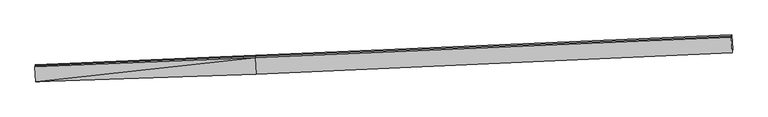
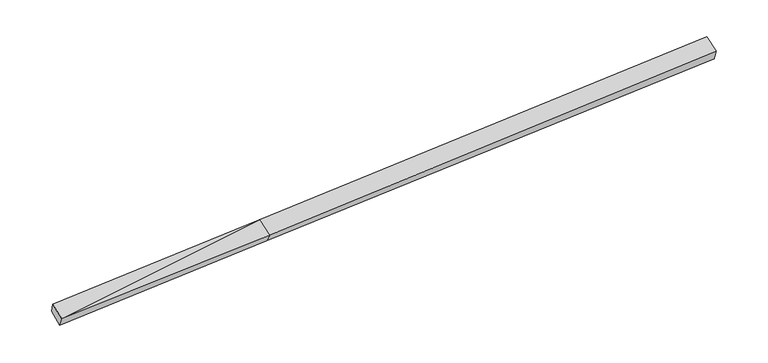
"""IFC4 building model written with IfcOpenShell, lengths in millimetres: proxy geometry."""

from ifc_helpers import new_model, si_unit, frame, origin, place, context, project, spatial, source, transform, mapped, element, save
from ifc_brep_helpers import plane_surface, spline_surface, advanced_brep


def generic_models_5343faf6(model_context):
    return source(origin(), model_context, "Body", "AdvancedBrep", [
        advanced_brep(
        [(-9328.4393087, -2260.2433772, 1565.8580577), (-9320.2202596, -2137.9674865, 1273.3200159), (-2593.317991, -1841.7212524, 1571.8565099), (-2599.3789545, -2023.6427489, 1870.5009846), (-9357.5020947, -1799.9065603, 1793.5167742), (-2630.3746919, -1516.1244693, 2098.3312132), (-9352.3428361, -1766.0578961, 1648.660485), (-2625.0054263, -1480.8979995, 1947.5785671), (-9347.1835775, -1732.2092319, 1503.8041959), (-2619.6361607, -1445.6715297, 1796.8259209), (11906.4578205, -862.0080796, 2616.9036615), (11901.1376183, -896.9126566, 2766.2787583), (11930.4843538, -1377.4304949, 2550.5693083), (11939.7943183, -1248.7075217, 2228.0434637), (11911.7780227, -827.1035027, 2467.5285647)],
        [
            (0, 1),
            (1, 2),
            (2, 3),
            (3, 0),
            (4, 0),
            (0, 5),
            (5, 4),
            (6, 4),
            (5, 7),
            (7, 6),
            (8, 6),
            (7, 9),
            (9, 8),
            (1, 8),
            (9, 2),
            (10, 11),
            (11, 12),
            (12, 13),
            (13, 14),
            (14, 10),
            (3, 5),
            (5, 11),
            (10, 7),
            (3, 12),
            (2, 13),
            (9, 14),
        ],
        [
            spline_surface(1, 1, [[(-9328.4393087, -2260.2433772, 1565.8580577), (-2599.3789545, -2023.6427489, 1870.5009846)], [(-9320.2202596, -2137.9674865, 1273.3200159), (-2593.317991, -1841.7212524, 1571.8565099)]], [2, 2], [2, 2], [0.0, 1.0], [0.0, 1.0]),
            plane_surface(frame((-9342.9707017, -2030.0749687, 1679.687416), z_axis=(-0.021838499749857226, -0.44430154310240194, 0.8956110867589236), x_axis=(0.056501005390470996, -0.8949414891263061, -0.44259164862235695))),
            plane_surface(frame((-9354.9224654, -1782.9822282, 1721.0886296), z_axis=(-0.051259320747033175, 0.972891312345475, 0.22551047957745152), x_axis=(-0.03466128118212136, -0.22740439293695996, 0.9731833525393797))),
            plane_surface(frame((-9349.7632068, -1749.133564, 1576.2323404), z_axis=(-0.051259320747033266, 0.9728913123454745, 0.2255104795774534), x_axis=(-0.03466128118209325, -0.2274043929369607, 0.9731833525393806))),
            plane_surface(frame((-9333.7019186, -1935.0883592, 1388.5621059), z_axis=(0.01677636416230798, 0.4946848660135685, -0.8689104884524249), x_axis=(-0.057684324379806015, 0.8680641902357703, 0.4930893228930857))),
            plane_surface(frame((11920.7985783, -1087.5385439, 2503.1050237), z_axis=(0.998153317951331, 0.04072896502050183, 0.04506778529180436), x_axis=(-0.03466128118210808, -0.22740439293696055, 0.9731833525393802))),
            plane_surface(frame((-9338.3363101, -1982.581664, 1534.1247609), z_axis=(-0.9981533179513311, -0.04072896502051498, -0.04506778529179002), x_axis=(-0.02591362008248316, -0.3855203824599637, 0.9223353614614069))),
            plane_surface(frame((-9328.4393087, -2260.2433772, 1565.8580577), z_axis=(-0.026816894467858635, -0.4107532179022829, 0.9113520988915425), x_axis=(0.05563032906648665, -0.9108803761143216, -0.4089036645687913))),
            plane_surface(frame((-2627.6900591, -1498.5112344, 2022.9548902), z_axis=(-0.05182001486811204, 0.9728675257849542, 0.22548495145381725), x_axis=(-0.034661281182115186, -0.22740439293696046, 0.9731833525393798))),
            plane_surface(frame((-2614.8768232, -1769.8836091, 1984.4160989), z_axis=(-0.024397138166245926, -0.4106556852378676, 0.9114640354018992), x_axis=(0.05563032906648839, -0.9108803761143258, -0.4089036645687815))),
            spline_surface(1, 1, [[(-2599.3789545, -2023.6427489, 1870.5009846), (11930.4843538, -1377.4304949, 2550.5693083)], [(-2593.317991, -1841.7212524, 1571.8565099), (11939.7943183, -1248.7075217, 2228.0434637)]], [2, 2], [2, 2], [0.0, 1.0], [0.0, 1.0]),
            plane_surface(frame((-2606.4770759, -1643.696391, 1684.3412154), z_axis=(0.01903871276095423, 0.49477844843777896, -0.8688105745085694), x_axis=(-0.05768432437980072, 0.8680641902358737, 0.4930893228929045))),
            plane_surface(frame((-2622.3207935, -1463.2847646, 1872.202244), z_axis=(-0.051820014868112094, 0.9728675257849541, 0.22548495145381803), x_axis=(-0.03466128118210097, -0.22740439293696063, 0.9731833525393804))),
        ],
        [
            (0, [[1, 2, 3, 4]]),
            (1, [[5, 6, 7]]),
            (2, [[8, -7, 9, 10]]),
            (3, [[11, -10, 12, 13]]),
            (4, [[14, -13, 15, -2]]),
            (5, [[16, 17, 18, 19, 20]]),
            (6, [[-1, -5, -8, -11, -14]]),
            (7, [[21, -6, -4]]),
            (8, [[-9, 22, -16, 23]]),
            (9, [[-21, 24, -17, -22]]),
            (10, [[-3, 25, -18, -24]]),
            (11, [[-15, 26, -19, -25]]),
            (12, [[-12, -23, -20, -26]]),
        ],
    ),
    ])


if __name__ == "__main__":
    model = new_model("IFC4")
    model_context = context("Model", 3, world=origin())
    ifc_project = project(units=[si_unit("LENGTHUNIT", "METRE", prefix="MILLI")], contexts=[model_context])
    site = spatial("IfcSite", under=ifc_project)
    building = spatial("IfcBuilding", under=site)
    placement = place(None, origin())
    generic_models_shape = generic_models_5343faf6(model_context)
    element("IfcBuildingElementProxy", 1, Name="Generic Models", at=placement, inside=building, context=model_context, shape_type="MappedRepresentation", body=[
        mapped(generic_models_shape, transform((0.0, 0.0, 0.0), x_axis=(1.0, 0.0, 0.0), y_axis=(0.0, 1.0, 0.0), z_axis=(0.0, 0.0, 1.0))),
    ])
    save(model, "model.ifc")
